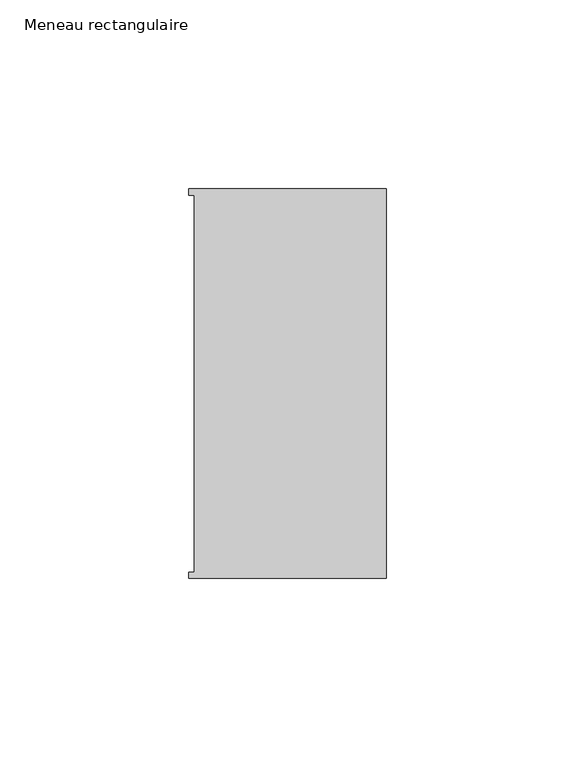
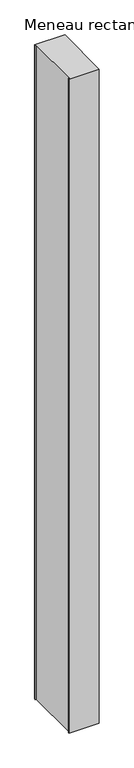
"""IFC4 building model written with IfcOpenShell, lengths in millimetres: member geometry, Meneau rectangulaire."""

from ifc_helpers import new_model, si_unit, frame, origin, place, context, project, spatial, polyline, outline, extrude, source, transform, mapped, element, save


def meneau_rectangulaire_135016e8(model_context):
    return source(origin(), model_context, "Body", "SweptSolid", [
        extrude(outline(polyline([(-52.3, 51.6531441), (0.0, 51.6531441), (0.0, -51.6130012), (-52.3, -51.6130012), (-52.3, -49.9174099), (-50.9, -49.9174099), (-50.9, 49.9174073), (-52.3, 49.9174073), (-52.3, 51.6531441)])), frame((0.0, 0.0, -1199.2000003), z_axis=(0.0, 0.0, 1.0), x_axis=(1.0, 0.0, 0.0)), (0.0, 0.0, 1.0), 1199.2000003),
    ])


if __name__ == "__main__":
    model = new_model("IFC4")
    model_context = context("Model", 3, world=origin())
    ifc_project = project(units=[si_unit("LENGTHUNIT", "METRE", prefix="MILLI")], contexts=[model_context])
    site = spatial("IfcSite", under=ifc_project)
    building = spatial("IfcBuilding", under=site)
    placement = place(None, origin())
    meneau_rectangulaire_shape = meneau_rectangulaire_135016e8(model_context)
    element("IfcMember", 1, ObjectType="Meneau rectangulaire", at=placement, inside=building, context=model_context, shape_type="MappedRepresentation", body=[
        mapped(meneau_rectangulaire_shape, transform((0.0, 0.0, 0.0), x_axis=(1.0, 0.0, 0.0), y_axis=(0.0, 1.0, 0.0), z_axis=(0.0, 0.0, 1.0))),
    ])
    save(model, "model.ifc")
